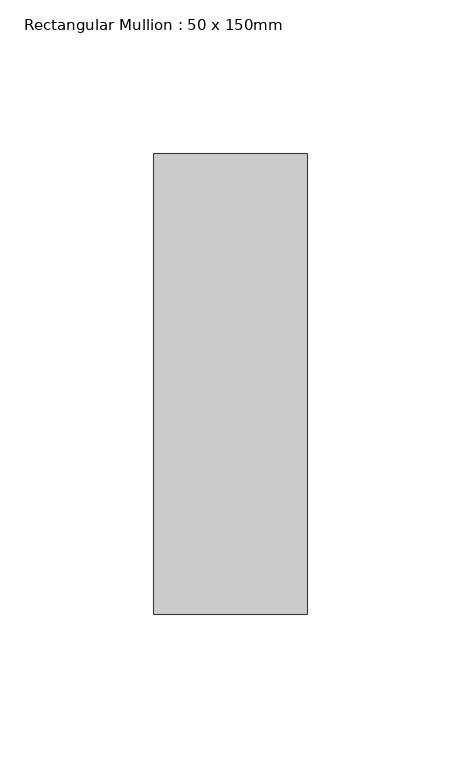
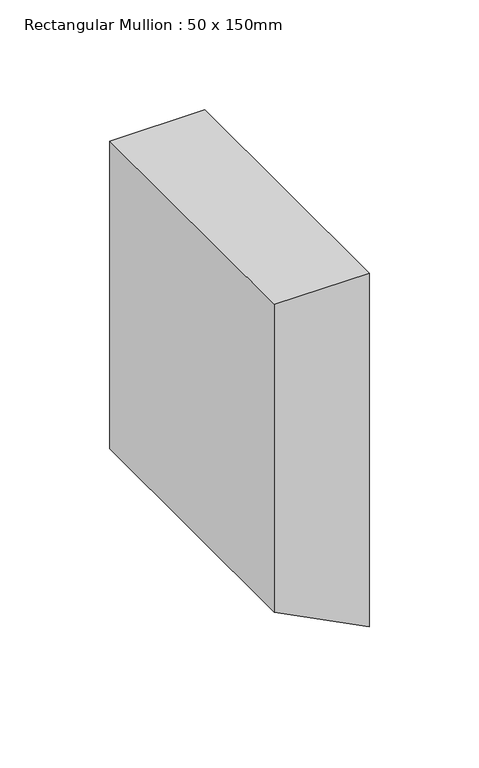
"""IFC4 building model written with IfcOpenShell, lengths in millimetres: member geometry, Rectangular Mullion : 50 x 150mm."""

from ifc_helpers import new_model, si_unit, frame, origin, place, context, project, spatial, polyline, outline, extrude, source, transform, mapped, element, save


def rectangular_mullion_50_x_150mm_de2d3bc4(model_context):
    return source(origin(), model_context, "Body", "SweptSolid", [
        extrude(outline(polyline([(0.0, 0.0), (0.0, -50.0), (-171.259838, -50.0), (-197.0, 0.0), (0.0, 0.0)])), frame((0.0, -75.0, 0.0), z_axis=(0.0, 1.0, 0.0), x_axis=(0.0, 0.0, 1.0)), (0.0, 0.0, 1.0), 150.0),
    ])


if __name__ == "__main__":
    model = new_model("IFC4")
    model_context = context("Model", 3, world=origin())
    ifc_project = project(units=[si_unit("LENGTHUNIT", "METRE", prefix="MILLI")], contexts=[model_context])
    site = spatial("IfcSite", under=ifc_project)
    building = spatial("IfcBuilding", under=site)
    placement = place(None, origin())
    rectangular_mullion_50_x_150mm_shape = rectangular_mullion_50_x_150mm_de2d3bc4(model_context)
    element("IfcMember", 1, ObjectType="Rectangular Mullion : 50 x 150mm", at=placement, inside=building, context=model_context, shape_type="MappedRepresentation", body=[
        mapped(rectangular_mullion_50_x_150mm_shape, transform((0.0, 0.0, 0.0), x_axis=(1.0, 0.0, 0.0), y_axis=(0.0, 1.0, 0.0), z_axis=(0.0, 0.0, 1.0))),
    ])
    save(model, "model.ifc")
